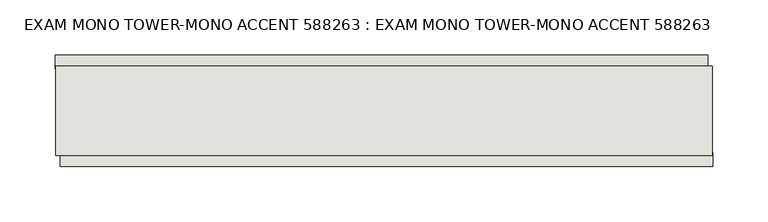
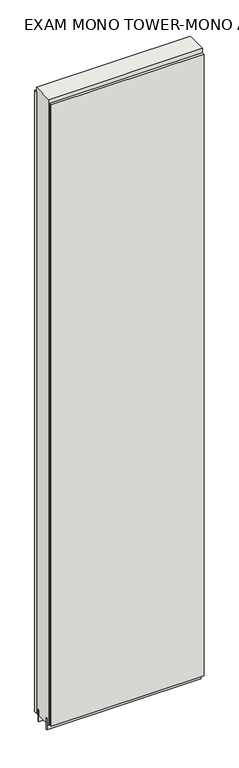
"""IFC4 building model written with IfcOpenShell, lengths in millimetres: wall geometry, EXAM MONO TOWER-MONO ACCENT 588263 : EXAM MONO TOWER-MONO ACCENT 588263."""

from ifc_helpers import new_model, si_unit, frame, origin, place, context, project, spatial, polyline, outline, extrude, source, transform, mapped, element, save


def exam_mono_tower_mono_accent_588263_exam_mono_tower_mono_a6f5ae93(model_context):
    return source(origin(), model_context, "Body", "SweptSolid", [
        extrude(outline(polyline([(46525.2792124, -43072.1814704), (46527.8192124, -43072.1814704), (46527.8192124, -43074.7214704), (46525.2792124, -43074.7214704), (46525.2792124, -43072.1814704)])), frame((0.0, 0.0, 4419.6), z_axis=(0.0, 0.0, 1.0), x_axis=(1.0, 0.0, 0.0)), (0.0, 0.0, 1.0), 2.54),
        extrude(outline(polyline([(46528.2823052, -43124.2514704), (45935.382348, -43124.2514704), (45935.382348, -43111.5514704), (46528.2823052, -43111.5514704), (46528.2823052, -43124.2514704)])), frame((0.0, 0.0, 4445.0), z_axis=(0.0, 0.0, 1.0), x_axis=(1.0, 0.0, 0.0)), (0.0, 0.0, 1.0), 2545.0498756),
        extrude(outline(polyline([(45930.4524112, -43022.6514704), (46523.3523684, -43022.6514704), (46523.3523684, -43035.3514704), (45930.4524112, -43035.3514704), (45930.4524112, -43022.6514704)])), frame((0.0, 0.0, 4445.0), z_axis=(0.0, 0.0, 1.0), x_axis=(1.0, 0.0, 0.0)), (0.0, 0.0, 1.0), 2545.0498756),
        extrude(outline(polyline([(45930.920457, -43098.5414126), (46527.820457, -43098.5414126), (46527.820457, -43103.6232668), (45930.920457, -43103.6232668), (45930.920457, -43098.5414126)])), frame((0.0, 0.0, 4418.6602), z_axis=(0.0, 0.0, 1.0), x_axis=(1.0, 0.0, 0.0)), (0.0, 0.0, 1.0), 47.625),
        extrude(outline(polyline([(45930.920457, -43098.5414126), (46527.820457, -43098.5414126), (46527.820457, -43103.6232668), (45930.920457, -43103.6232668), (45930.920457, -43098.5414126)])), frame((0.0, 0.0, 4418.6602), z_axis=(0.0, 0.0, 1.0), x_axis=(1.0, 0.0, 0.0)), (0.0, 0.0, 1.0), 47.625),
        extrude(outline(polyline([(46527.820457, -43048.3770222), (45930.920457, -43048.3770222), (45930.920457, -43043.2982668), (46527.820457, -43043.2982668), (46527.820457, -43048.3770222)])), frame((0.0, 0.0, 4418.6602), z_axis=(0.0, 0.0, 1.0), x_axis=(1.0, 0.0, 0.0)), (0.0, 0.0, 1.0), 47.625),
        extrude(outline(polyline([(46527.820457, -43048.3770222), (45930.920457, -43048.3770222), (45930.920457, -43043.2982668), (46527.820457, -43043.2982668), (46527.820457, -43048.3770222)])), frame((0.0, 0.0, 4418.6602), z_axis=(0.0, 0.0, 1.0), x_axis=(1.0, 0.0, 0.0)), (0.0, 0.0, 1.0), 47.625),
        extrude(outline(polyline([(45930.920457, -43114.0877366), (45930.920457, -43032.8058824), (46527.820457, -43032.8058824), (46527.820457, -43114.0877366), (45930.920457, -43114.0877366)])), frame((0.0, 0.0, 4445.0), z_axis=(0.0, 0.0, 1.0), x_axis=(1.0, 0.0, 0.0)), (0.0, 0.0, 1.0), 2562.4536762),
    ])


if __name__ == "__main__":
    model = new_model("IFC4")
    model_context = context("Model", 3, world=origin())
    ifc_project = project(units=[si_unit("LENGTHUNIT", "METRE", prefix="MILLI")], contexts=[model_context])
    site = spatial("IfcSite", under=ifc_project)
    building = spatial("IfcBuilding", under=site)
    placement = place(None, origin())
    exam_mono_tower_mono_accent_588263_exam_mono_tower_mono_shape = exam_mono_tower_mono_accent_588263_exam_mono_tower_mono_a6f5ae93(model_context)
    element("IfcWall", 1, ObjectType="EXAM MONO TOWER-MONO ACCENT 588263 : EXAM MONO TOWER-MONO ACCENT 588263", at=placement, inside=building, context=model_context, shape_type="MappedRepresentation", body=[
        mapped(exam_mono_tower_mono_accent_588263_exam_mono_tower_mono_shape, transform((0.0, 0.0, 0.0), x_axis=(1.0, 0.0, 0.0), y_axis=(0.0, 1.0, 0.0), z_axis=(0.0, 0.0, 1.0))),
    ])
    save(model, "model.ifc")
